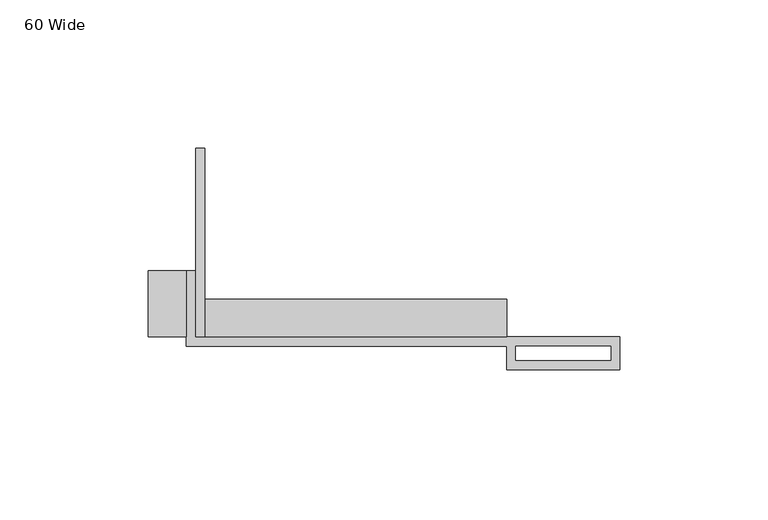
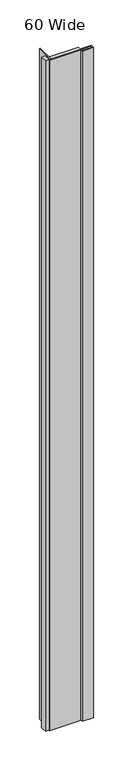
"""IFC4 building model written with IfcOpenShell, lengths in millimetres: proxy geometry, 60 Wide."""

from ifc_helpers import new_model, si_unit, origin, origin_with_axes, place, context, project, spatial, polyline, outline, extrude, source, transform, mapped, element, save


def proxy_60_wide_c970d4d6(model_context):
    return source(origin(), model_context, "Body", "SweptSolid", [
        extrude(outline(polyline([(-101.6, 0.0), (-104.775, 0.0), (-104.775, 63.5), (-101.6, 63.5), (-101.6, 0.0)])), origin_with_axes(), (0.0, 0.0, 1.0), 2438.4),
        extrude(outline(polyline([(-107.95, 0.0), (-120.65, 0.0), (-120.65, 22.225), (-107.95, 22.225), (-107.95, 0.0)])), origin_with_axes(), (0.0, 0.0, 1.0), 2438.4),
        extrude(outline(polyline([(0.0, 0.0), (-104.775, 0.0), (-104.775, 12.7), (0.0, 12.7), (0.0, 0.0)])), origin_with_axes(), (0.0, 0.0, 1.0), 2438.4),
        extrude(outline(polyline([(-107.95, 22.225), (-104.775, 22.225), (-104.775, 0.0), (38.1, 0.0), (38.1, -11.1125), (0.0, -11.1125), (0.0, -3.175), (-107.95, -3.175), (-107.95, 22.225)]), holes=[polyline([(3.175, -3.175), (3.175, -7.9375), (35.1499571, -7.9375), (35.1499571, -3.175), (3.175, -3.175)])]), origin_with_axes(), (0.0, 0.0, 1.0), 2438.4),
    ])


if __name__ == "__main__":
    model = new_model("IFC4")
    model_context = context("Model", 3, world=origin())
    ifc_project = project(units=[si_unit("LENGTHUNIT", "METRE", prefix="MILLI")], contexts=[model_context])
    site = spatial("IfcSite", under=ifc_project)
    building = spatial("IfcBuilding", under=site)
    placement = place(None, origin())
    proxy_60_wide_shape = proxy_60_wide_c970d4d6(model_context)
    element("IfcBuildingElementProxy", 1, Name="60 Wide", ObjectType="60 Wide", at=placement, inside=building, context=model_context, shape_type="MappedRepresentation", body=[
        mapped(proxy_60_wide_shape, transform((0.0, 0.0, 0.0), x_axis=(1.0, 0.0, 0.0), y_axis=(0.0, 1.0, 0.0), z_axis=(0.0, 0.0, 1.0))),
    ])
    save(model, "model.ifc")
